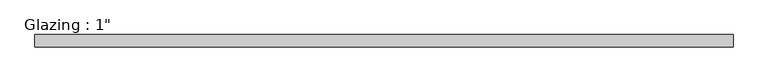
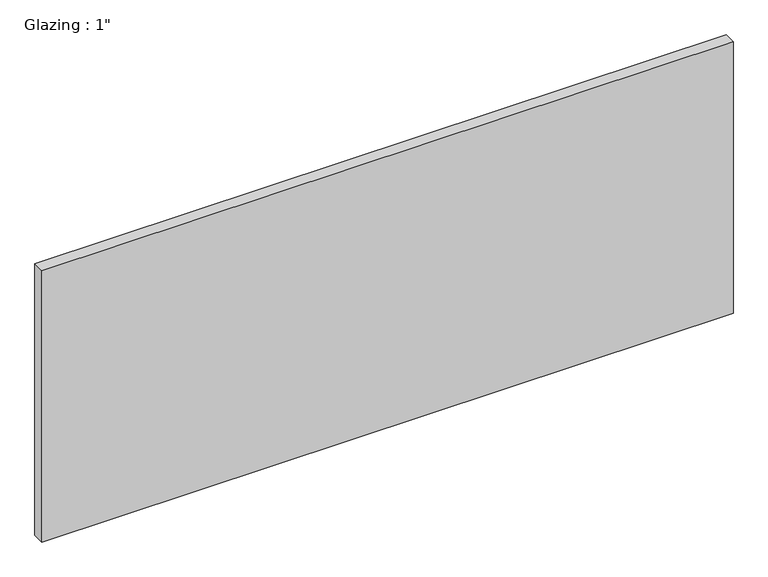
"""IFC4 building model written with IfcOpenShell, lengths in millimetres: plate geometry."""

from ifc_helpers import new_model, si_unit, origin, origin_with_axes, place, context, project, spatial, polyline, outline, extrude, source, transform, mapped, element, save


def plate_d4760570(model_context):
    return source(origin(), model_context, "Body", "SweptSolid", [
        extrude(outline(polyline([(715.3949896, -12.7), (-715.3949896, -12.7), (-715.3949896, 12.7), (715.3949896, 12.7), (715.3949896, -12.7)])), origin_with_axes(), (0.0, 0.0, 1.0), 593.7249245),
    ])


if __name__ == "__main__":
    model = new_model("IFC4")
    model_context = context("Model", 3, world=origin())
    ifc_project = project(units=[si_unit("LENGTHUNIT", "METRE", prefix="MILLI")], contexts=[model_context])
    site = spatial("IfcSite", under=ifc_project)
    building = spatial("IfcBuilding", under=site)
    placement = place(None, origin())
    plate_shape = plate_d4760570(model_context)
    element("IfcPlate", 1, ObjectType="Glazing : 1\"", at=placement, inside=building, context=model_context, shape_type="MappedRepresentation", body=[
        mapped(plate_shape, transform((0.0, 0.0, 0.0), x_axis=(1.0, 0.0, 0.0), y_axis=(0.0, 1.0, 0.0), z_axis=(0.0, 0.0, 1.0))),
    ])
    save(model, "model.ifc")
